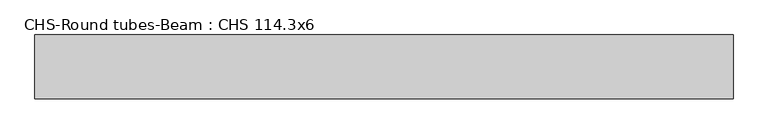
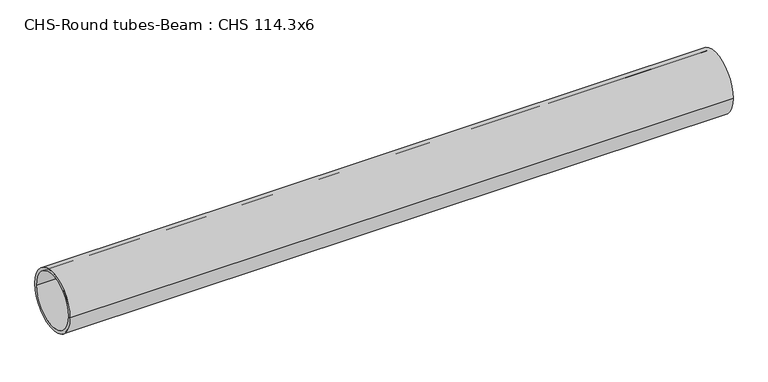
"""IFC4 building model written with IfcOpenShell, lengths in millimetres: beam geometry, CHS-Round tubes-Beam : CHS 114.3x6."""

from ifc_helpers import new_model, si_unit, point, frame, origin, origin_2d, place, context, project, spatial, circle_curve, trimmed, segment, composite_curve, outline, extrude, source, transform, mapped, element, save


def chs_round_tubes_beam_chs_114_3x6_02e69136(model_context):
    return source(origin(), model_context, "Body", "SweptSolid", [
        extrude(outline(composite_curve([segment(trimmed(circle_curve(origin_2d(), 57.15), [point((57.15, 0.0))], [point((-57.15, 0.0))], False, "CARTESIAN"), True, "CONTINUOUS"), segment(trimmed(circle_curve(origin_2d(), 57.15), [point((-57.15, 0.0))], [point((57.15, 0.0))], False, "CARTESIAN"), True, "CONTINUOUS")], self_intersect=False), holes=[composite_curve([segment(trimmed(circle_curve(origin_2d(), 51.15), [point((51.15, 0.0))], [point((-51.15, 0.0))], True, "CARTESIAN"), True, "CONTINUOUS"), segment(trimmed(circle_curve(origin_2d(), 51.15), [point((-51.15, 0.0))], [point((51.15, 0.0))], True, "CARTESIAN"), True, "CONTINUOUS")], self_intersect=False)]), frame((-624.3499152, 0.0, 0.0), z_axis=(1.0, 0.0, 0.0), x_axis=(0.0, 1.0, 0.0)), (0.0, 0.0, 1.0), 1250.5956951),
    ])


if __name__ == "__main__":
    model = new_model("IFC4")
    model_context = context("Model", 3, world=origin())
    ifc_project = project(units=[si_unit("LENGTHUNIT", "METRE", prefix="MILLI")], contexts=[model_context])
    site = spatial("IfcSite", under=ifc_project)
    building = spatial("IfcBuilding", under=site)
    placement = place(None, origin())
    chs_round_tubes_beam_chs_114_3x6_shape = chs_round_tubes_beam_chs_114_3x6_02e69136(model_context)
    element("IfcBeam", 1, ObjectType="CHS-Round tubes-Beam : CHS 114.3x6", at=placement, inside=building, context=model_context, shape_type="MappedRepresentation", body=[
        mapped(chs_round_tubes_beam_chs_114_3x6_shape, transform((0.0, 0.0, 0.0), x_axis=(1.0, 0.0, 0.0), y_axis=(0.0, 1.0, 0.0), z_axis=(0.0, 0.0, 1.0))),
    ])
    save(model, "model.ifc")
